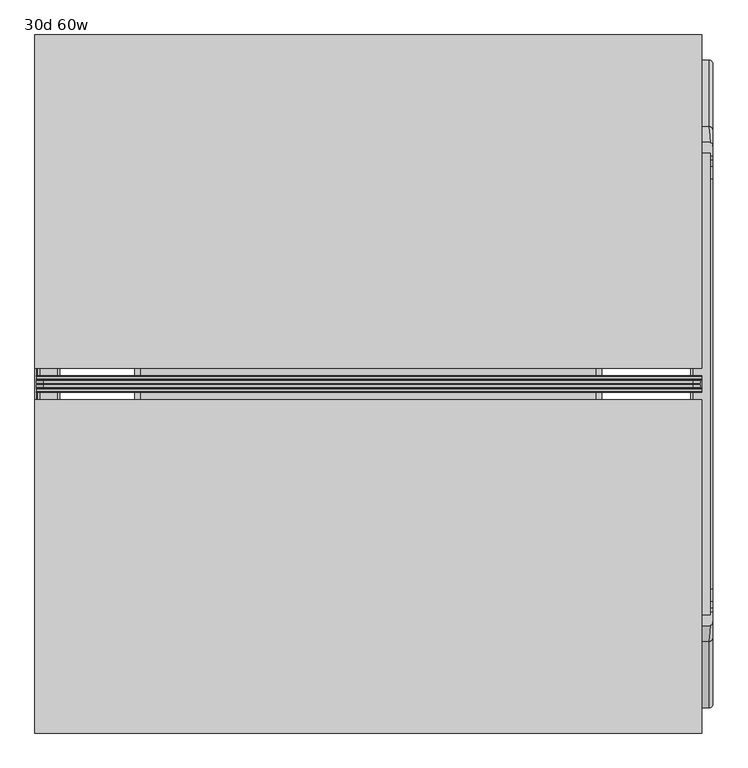
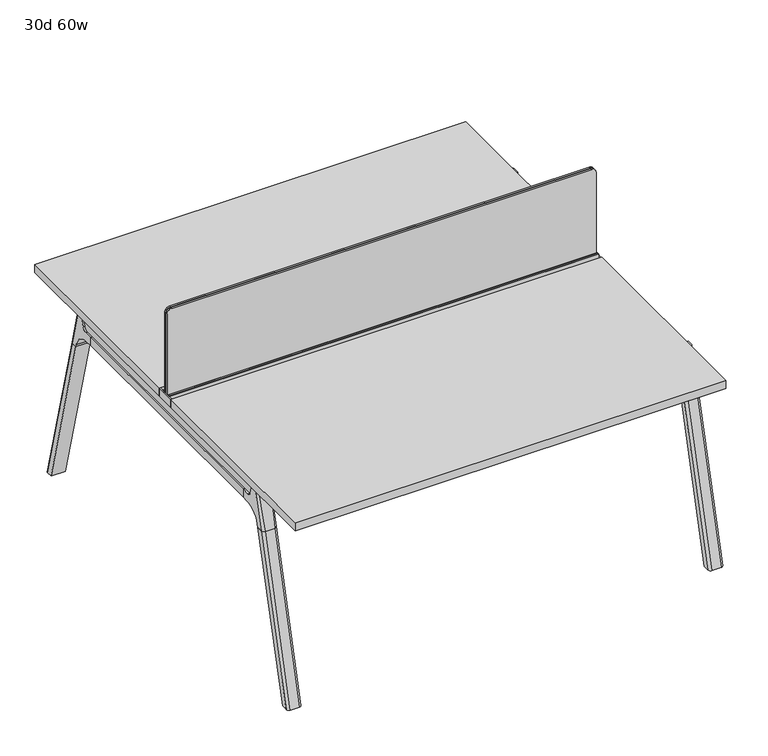
"""IFC4 building model written with IfcOpenShell, lengths in millimetres: furniture geometry, 30d 60w."""

from ifc_helpers import new_model, si_unit, point, frame, frame_2d, origin, place, context, project, spatial, polyline, circle_curve, ellipse_curve, trimmed, segment, composite_curve, outline, extrude, source, transform, mapped, element, save
from ifc_brep_helpers import plane_surface, cylinder_surface, revolved_surface, advanced_brep


def furniture_30d_60w_60e0210d(model_context):
    return source(origin(), model_context, "Body", "SolidModel", [
        extrude(outline(composite_curve([segment(polyline([(1054.89375, 955.675), (1054.89375, -523.875)]), True, "CONTINUOUS"), segment(trimmed(circle_curve(frame_2d((1039.01875, -523.875)), 15.875), [point((1054.89375, -523.875))], [point((1039.01875, -539.75))], False, "CARTESIAN"), True, "CONTINUOUS"), segment(polyline([(1039.01875, -539.75), (720.725, -539.75), (720.725, 971.55), (1039.01875, 971.55)]), True, "CONTINUOUS"), segment(trimmed(circle_curve(frame_2d((1039.01875, 955.675)), 15.875), [point((1039.01875, 971.55))], [point((1054.89375, 955.675))], False, "CARTESIAN"), True, "CONTINUOUS")], self_intersect=False)), frame((0.0, -201.3409766, 0.0), z_axis=(0.0, 1.0, 0.0), x_axis=(0.0, 0.0, 1.0)), (0.0, 0.0, 1.0), 3.175),
        extrude(outline(composite_curve([segment(polyline([(1058.06875, 958.85), (1058.06875, -527.05)]), True, "CONTINUOUS"), segment(trimmed(circle_curve(frame_2d((1042.19375, -527.05)), 15.875), [point((1058.06875, -527.05))], [point((1042.19375, -542.925))], False, "CARTESIAN"), True, "CONTINUOUS"), segment(polyline([(1042.19375, -542.925), (717.55, -542.925), (717.55, 974.725), (1042.19375, 974.725)]), True, "CONTINUOUS"), segment(trimmed(circle_curve(frame_2d((1042.19375, 958.85)), 15.875), [point((1042.19375, 974.725))], [point((1058.06875, 958.85))], False, "CARTESIAN"), True, "CONTINUOUS")], self_intersect=False)), frame((0.0, -198.1659766, 0.0), z_axis=(0.0, 1.0, 0.0), x_axis=(0.0, 0.0, 1.0)), (0.0, 0.0, 1.0), 5.55625),
        extrude(outline(composite_curve([segment(polyline([(1058.06875, 958.85), (1058.06875, -527.05)]), True, "CONTINUOUS"), segment(trimmed(circle_curve(frame_2d((1042.19375, -527.05)), 15.875), [point((1058.06875, -527.05))], [point((1042.19375, -542.925))], False, "CARTESIAN"), True, "CONTINUOUS"), segment(polyline([(1042.19375, -542.925), (717.55, -542.925), (717.55, 974.725), (1042.19375, 974.725)]), True, "CONTINUOUS"), segment(trimmed(circle_curve(frame_2d((1042.19375, 958.85)), 15.875), [point((1042.19375, 974.725))], [point((1058.06875, 958.85))], False, "CARTESIAN"), True, "CONTINUOUS")], self_intersect=False)), frame((0.0, -206.8972266, 0.0), z_axis=(0.0, 1.0, 0.0), x_axis=(0.0, 0.0, 1.0)), (0.0, 0.0, 1.0), 5.55625),
        extrude(outline(polyline([(-348.9784469, 559.4636683), (-364.040663, 627.7843353), (-35.4662901, 627.7843353), (-50.5285062, 559.4636683), (-46.7502281, 557.2647146), (-46.7502281, 549.3667827), (-62.6252238, 521.8704736), (-336.8817293, 521.8704736), (-352.756725, 549.3667827), (-352.756725, 557.2647146), (-348.9784469, 559.4636683)])), frame((736.6, 0.0, 0.0), z_axis=(1.0, 0.0, 0.0), x_axis=(0.0, 1.0, 0.0)), (0.0, 0.0, 1.0), 12.7),
        extrude(outline(polyline([(-348.9784469, 559.4636683), (-364.040663, 627.7843353), (-35.4662901, 627.7843353), (-50.5285062, 559.4636683), (-46.7502281, 557.2647146), (-46.7502281, 549.3667827), (-62.6252238, 521.8704736), (-336.8817293, 521.8704736), (-352.756725, 549.3667827), (-352.756725, 557.2647146), (-348.9784469, 559.4636683)])), frame((-317.5, 0.0, 0.0), z_axis=(1.0, 0.0, 0.0), x_axis=(0.0, 1.0, 0.0)), (0.0, 0.0, 1.0), 12.7),
        extrude(outline(polyline([(-18.0090763, 698.5), (3.7767266, 698.5), (3.7767266, 697.2935087), (-17.4495292, 697.2935087), (-19.0070753, 695.7359626), (-49.1186716, 559.1528512), (-50.5285062, 559.4636683), (-20.404074, 696.1050023), (-18.0090763, 698.5)])), frame((-317.5, 0.0, 0.0), z_axis=(1.0, 0.0, 0.0), x_axis=(0.0, 1.0, 0.0)), (0.0, 0.0, 1.0), 31.8008024),
        extrude(outline(polyline([(-381.4978768, 698.5), (-379.1028791, 696.1050023), (-348.9784469, 559.4636683), (-350.3882815, 559.1528512), (-380.4998778, 695.7359626), (-382.0574239, 697.2935087), (-403.2836797, 697.2935087), (-403.2836797, 698.5), (-381.4978768, 698.5)])), frame((-317.5, 0.0, 0.0), z_axis=(1.0, 0.0, 0.0), x_axis=(0.0, 1.0, 0.0)), (0.0, 0.0, 1.0), 31.8008024),
        extrude(outline(polyline([(-18.0090763, 698.5), (3.7767266, 698.5), (3.7767266, 697.2935087), (-17.4495292, 697.2935087), (-19.0070753, 695.7359626), (-49.1186716, 559.1528512), (-50.5285062, 559.4636683), (-20.404074, 696.1050023), (-18.0090763, 698.5)])), frame((717.4991976, 0.0, 0.0), z_axis=(1.0, 0.0, 0.0), x_axis=(0.0, 1.0, 0.0)), (0.0, 0.0, 1.0), 31.8008024),
        extrude(outline(polyline([(-381.4978768, 698.5), (-379.1028791, 696.1050023), (-348.9784469, 559.4636683), (-350.3882815, 559.1528512), (-380.4998778, 695.7359626), (-382.0574239, 697.2935087), (-403.2836797, 697.2935087), (-403.2836797, 698.5), (-381.4978768, 698.5)])), frame((717.4991976, 0.0, 0.0), z_axis=(1.0, 0.0, 0.0), x_axis=(0.0, 1.0, 0.0)), (0.0, 0.0, 1.0), 31.8008024),
        extrude(outline(polyline([(-353.550475, 557.5934966), (-351.518477, 559.6254947), (-350.957211, 559.0642287), (-352.756725, 557.2647146), (-352.756725, 549.3667827), (-352.5317745, 548.5272622), (-337.4390802, 522.3859395), (-336.0037101, 521.5572272), (-63.503243, 521.5572272), (-62.0678729, 522.3859395), (-46.9751786, 548.5272622), (-46.7502281, 549.3667827), (-46.7502281, 557.2647146), (-48.5497421, 559.0642287), (-47.9884761, 559.6254947), (-45.9564781, 557.5934966), (-45.9564781, 549.2622828), (-46.2355217, 548.2208856), (-61.4868074, 521.8048744), (-63.2905581, 520.7634772), (-336.216395, 520.7634772), (-338.0201457, 521.8048744), (-353.2714314, 548.2208856), (-353.550475, 549.2622828), (-353.550475, 557.5934966)])), frame((-317.4492037, 0.0, 0.0), z_axis=(1.0, 0.0, 0.0), x_axis=(0.0, 1.0, 0.0)), (0.0, 0.0, 1.0), 1066.7492037),
        extrude(outline(polyline([(-218.8034766, 715.9625), (-218.8034766, 741.3625), (-217.2159766, 741.3625), (-217.2159766, 720.725), (-210.8659766, 720.725), (-210.8659766, 741.3625), (-209.2784766, 741.3625), (-209.2784766, 717.55), (-190.2284766, 717.55), (-190.2284766, 741.3625), (-188.6409766, 741.3625), (-188.6409766, 720.725), (-182.2909766, 720.725), (-182.2909766, 741.3625), (-180.7034766, 741.3625), (-180.7034766, 715.9625), (-218.8034766, 715.9625)])), frame((-542.925, 0.0, 0.0), z_axis=(1.0, 0.0, 0.0), x_axis=(0.0, 1.0, 0.0)), (0.0, 0.0, 1.0), 1520.825),
        extrude(outline(composite_curve([segment(polyline([(328.0902734, 711.2), (319.0321726, 677.3947076)]), True, "CONTINUOUS"), segment(trimmed(circle_curve(frame_2d((303.6981001, 681.5034599)), 15.875), [point((319.0321726, 677.3947076))], [point((303.6981001, 665.6284599))], False, "CARTESIAN"), True, "CONTINUOUS"), segment(polyline([(303.6981001, 665.6284599), (-703.2050533, 665.6284599)]), True, "CONTINUOUS"), segment(trimmed(circle_curve(frame_2d((-703.2050533, 681.5034599)), 15.875), [point((-703.2050533, 665.6284599))], [point((-718.5391258, 677.3947076))], False, "CARTESIAN"), True, "CONTINUOUS"), segment(polyline([(-718.5391258, 677.3947076), (-727.5972266, 711.2), (328.0902734, 711.2)]), True, "CONTINUOUS")], self_intersect=False)), frame((958.85, 0.0, 0.0), z_axis=(1.0, 0.0, 0.0), x_axis=(0.0, 1.0, 0.0)), (0.0, 0.0, 1.0), 38.1),
        extrude(outline(polyline([(1003.3, 267.7652734), (1003.3, -667.2722266), (952.5, -667.2722266), (952.5, 267.7652734), (1003.3, 267.7652734)])), frame((0.0, 0.0, 635.6476591), z_axis=(0.0, 0.0, 1.0), x_axis=(1.0, 0.0, 0.0)), (0.0, 0.0, 1.0), 29.9808008),
        extrude(outline(composite_curve([segment(polyline([(328.0902734, 711.2), (319.0321726, 677.3947076)]), True, "CONTINUOUS"), segment(trimmed(circle_curve(frame_2d((303.6981001, 681.5034599)), 15.875), [point((319.0321726, 677.3947076))], [point((303.6981001, 665.6284599))], False, "CARTESIAN"), True, "CONTINUOUS"), segment(polyline([(303.6981001, 665.6284599), (-703.2050533, 665.6284599)]), True, "CONTINUOUS"), segment(trimmed(circle_curve(frame_2d((-703.2050533, 681.5034599)), 15.875), [point((-703.2050533, 665.6284599))], [point((-718.5391258, 677.3947076))], False, "CARTESIAN"), True, "CONTINUOUS"), segment(polyline([(-718.5391258, 677.3947076), (-727.5972266, 711.2), (328.0902734, 711.2)]), True, "CONTINUOUS")], self_intersect=False)), frame((-533.4, 0.0, 0.0), z_axis=(1.0, 0.0, 0.0), x_axis=(0.0, 1.0, 0.0)), (0.0, 0.0, 1.0), 38.1),
        extrude(outline(polyline([(-488.95, 267.7652734), (-488.95, -667.2722266), (-539.75, -667.2722266), (-539.75, 267.7652734), (-488.95, 267.7652734)])), frame((0.0, 0.0, 635.6476591), z_axis=(0.0, 0.0, 1.0), x_axis=(1.0, 0.0, 0.0)), (0.0, 0.0, 1.0), 29.9808008),
        advanced_brep(
        [(952.5, -721.2935553, 711.2), (952.5, -712.2354545, 677.3947076), (952.5, -696.901382, 665.6284599), (952.5, -667.2722266, 665.6284599), (952.5, -667.2722266, 635.6476591), (952.5, -690.1434588, 635.6476591), (952.5, -754.5465633, 586.2294189), (952.5, -757.1047754, 576.6820411), (952.5, -778.2087453, 576.6820411), (952.5, -742.7601017, 711.2), (1003.3, -757.1047754, 576.6820411), (1003.3, -754.5465633, 586.2294189), (1003.3, -690.1434588, 635.6476591), (1003.3, -667.2722266, 635.6476591), (1003.3, -667.2722266, 665.6284599), (1003.3, -696.901382, 665.6284599), (1003.3, -712.2354545, 677.3947076), (1003.3, -721.2935553, 711.2), (1003.3, -742.7601017, 711.2), (1003.3, -778.2087453, 576.6820411), (958.7638162, -752.0149462, 711.2), (997.0361838, -752.0149462, 711.2), (993.775, -788.0589247, 576.6820411), (962.025, -788.0589247, 576.6820411)],
        [
            (0, 1),
            (1, 2, circle_curve(frame((952.5, -696.901382, 681.5034599), z_axis=(1.0, 0.0, 0.0), x_axis=(0.0, -1.0, 0.0)), 15.875)),
            (2, 3),
            (3, 4),
            (4, 5),
            (5, 6, circle_curve(frame((952.5, -690.1434588, 568.9726591), z_axis=(1.0, 0.0, 0.0), x_axis=(0.0, -1.0, 0.0)), 66.675)),
            (6, 7),
            (7, 8),
            (8, 9),
            (9, 0),
            (10, 11),
            (11, 12, circle_curve(frame((1003.3, -690.1434588, 568.9726591), z_axis=(-1.0, 0.0, 0.0), x_axis=(0.0, -1.0, 0.0)), 66.675)),
            (12, 13),
            (13, 14),
            (14, 15),
            (15, 16, circle_curve(frame((1003.3, -696.901382, 681.5034599), z_axis=(-1.0, 0.0, 0.0), x_axis=(0.0, -1.0, 0.0)), 15.875)),
            (16, 17),
            (17, 18),
            (18, 19),
            (19, 10),
            (17, 0),
            (9, 20, ellipse_curve(frame((962.025, -742.7601017, 711.2), z_axis=(0.0, 0.0, 1.0), x_axis=(0.0, -1.0, 0.0)), 9.8501793, 9.525)),
            (20, 21),
            (21, 18, ellipse_curve(frame((993.775, -742.7601017, 711.2), z_axis=(0.0, 0.0, 1.0), x_axis=(0.0, -1.0, 0.0)), 9.8501793, 9.525)),
            (16, 1),
            (15, 2),
            (14, 3),
            (13, 4),
            (12, 5),
            (11, 6),
            (10, 7),
            (19, 22, ellipse_curve(frame((993.775, -778.2087453, 576.6820411), z_axis=(0.0, 0.0, -1.0), x_axis=(0.0, -1.0, 0.0)), 9.8501793, 9.525)),
            (22, 23),
            (23, 8, ellipse_curve(frame((962.025, -778.2087453, 576.6820411), z_axis=(0.0, 0.0, -1.0), x_axis=(0.0, -1.0, 0.0)), 9.8501793, 9.525)),
            (20, 23, ellipse_curve(frame((962.025, -191.6892106, 2802.3641142), z_axis=(0.0, -0.9659258262890684, 0.2588190451025206), x_axis=(0.0, -0.2588190451025206, -0.9659258262890684)), 2304.1956354, 9.525)),
            (22, 21, ellipse_curve(frame((993.775, -191.6892106, 2802.3641142), z_axis=(0.0, -0.9659258262890684, 0.2588190451025206), x_axis=(0.0, -0.2588190451025206, -0.9659258262890684)), 2304.1956354, 9.525)),
        ],
        [
            plane_surface(frame((952.5, -752.0149462, 711.2), z_axis=(-1.0, 0.0, 0.0), x_axis=(0.0, 1.0, 0.0))),
            plane_surface(frame((1003.3, -752.0149462, 711.2), z_axis=(1.0, 0.0, 0.0), x_axis=(0.0, -1.0, 0.0))),
            plane_surface(frame((952.5, -752.0149462, 711.2), z_axis=(0.0, 0.0, 1.0), x_axis=(1.0, 0.0, 0.0))),
            plane_surface(frame((952.5, -721.2935553, 711.2), z_axis=(0.0, 0.9659258262890683, 0.2588190451025207), x_axis=(1.0, 0.0, 0.0))),
            revolved_surface(polyline([(1003.3, -712.776382, 681.5034599), (952.5, -712.776382, 681.5034599)]), (1003.3, -696.901382, 681.5034599), (1.0, 0.0, 0.0)),
            plane_surface(frame((952.5, -696.901382, 665.6284599), z_axis=(0.0, 0.0, 1.0), x_axis=(1.0, 0.0, 0.0))),
            plane_surface(frame((952.5, -667.2722266, 665.6284599), z_axis=(0.0, 1.0, 0.0), x_axis=(1.0, 0.0, 0.0))),
            plane_surface(frame((952.5, -667.2722266, 635.6476591), z_axis=(0.0, 0.0, -1.0), x_axis=(1.0, 0.0, 0.0))),
            revolved_surface(polyline([(1003.3, -756.8184587999999, 568.9726591), (952.5, -756.8184587999999, 568.9726591)]), (1003.3, -690.1434588, 568.9726591), (1.0, 0.0, 0.0)),
            plane_surface(frame((952.5, -754.5465633, 586.2294189), z_axis=(0.0, 0.9659258262890693, -0.25881904510251696), x_axis=(1.0, 0.0, 0.0))),
            plane_surface(frame((952.5, -757.1047754, 576.6820411), z_axis=(0.0, 0.0, -1.0), x_axis=(1.0, 0.0, 0.0))),
            plane_surface(frame((952.5, -788.0589247, 576.6820411), z_axis=(0.0, -0.9659258262890684, 0.2588190451025206), x_axis=(1.0, 0.0, 0.0))),
            cylinder_surface(frame((962.025, -930.8176402, -2.4271979), z_axis=(0.0, -0.25482392474081483, -0.966987470125486), x_axis=(1.0, 0.0, 0.0)), 9.525),
            cylinder_surface(frame((993.775, -930.8176402, -2.4271979), z_axis=(0.0, -0.25482392474081483, -0.966987470125486), x_axis=(1.0, 0.0, 0.0)), 9.525),
        ],
        [
            (0, [[1, 2, 3, 4, 5, 6, 7, 8, 9, 10]]),
            (1, [[11, 12, 13, 14, 15, 16, 17, 18, 19, 20]]),
            (2, [[21, -10, 22, 23, 24, -18]]),
            (3, [[-1, -21, -17, 25]]),
            (4, [[-2, -25, -16, 26]]),
            (5, [[-3, -26, -15, 27]]),
            (6, [[-4, -27, -14, 28]]),
            (7, [[-5, -28, -13, 29]]),
            (8, [[-6, -29, -12, 30]]),
            (9, [[-7, -30, -11, 31]]),
            (10, [[-31, -20, 32, 33, 34, -8]]),
            (11, [[-23, 35, -33, 36]]),
            (12, [[-9, -34, -35, -22]]),
            (13, [[-19, -24, -36, -32]]),
        ],
    ),
        advanced_brep(
        [(952.5, -757.1047754, 576.6820411), (952.5, -909.0740466, 0.0), (952.5, -930.1780165, 0.0), (952.5, -778.2087453, 576.6820411), (1003.3, -909.0740466, 0.0), (1003.3, -757.1047754, 576.6820411), (1003.3, -778.2087453, 576.6820411), (1003.3, -930.1780165, 0.0), (962.025, -788.0589247, 576.6820411), (993.775, -788.0589247, 576.6820411), (993.775, -940.0281958, 0.0), (962.025, -940.0281958, 0.0)],
        [
            (0, 1),
            (1, 2),
            (2, 3),
            (3, 0),
            (4, 5),
            (5, 6),
            (6, 7),
            (7, 4),
            (5, 0),
            (3, 8, ellipse_curve(frame((962.025, -778.2087453, 576.6820411), z_axis=(0.0, 0.0, 1.0), x_axis=(0.0, -1.0, 0.0)), 9.8501793, 9.525)),
            (8, 9),
            (9, 6, ellipse_curve(frame((993.775, -778.2087453, 576.6820411), z_axis=(0.0, 0.0, 1.0), x_axis=(0.0, -1.0, 0.0)), 9.8501793, 9.525)),
            (4, 1),
            (7, 10, ellipse_curve(frame((993.775, -930.1780165, 0.0), z_axis=(0.0, 0.0, -1.0), x_axis=(0.0, -1.0, 0.0)), 9.8501793, 9.525)),
            (10, 11),
            (11, 2, ellipse_curve(frame((962.025, -930.1780165, 0.0), z_axis=(0.0, 0.0, -1.0), x_axis=(0.0, -1.0, 0.0)), 9.8501793, 9.525)),
            (8, 11),
            (10, 9),
        ],
        [
            plane_surface(frame((952.5, -788.0589247, 576.6820411), z_axis=(-1.0, 0.0, 0.0), x_axis=(0.0, 1.0, 0.0))),
            plane_surface(frame((1003.3, -788.0589247, 576.6820411), z_axis=(1.0, 0.0, 0.0), x_axis=(0.0, -1.0, 0.0))),
            plane_surface(frame((952.5, -788.0589247, 576.6820411), z_axis=(0.0, 0.0, 1.0), x_axis=(1.0, 0.0, 0.0))),
            plane_surface(frame((952.5, -757.1047754, 576.6820411), z_axis=(0.0, 0.9669874701254844, -0.2548239247408208), x_axis=(1.0, 0.0, 0.0))),
            plane_surface(frame((952.5, -909.0740466, 0.0), z_axis=(0.0, 0.0, -1.0), x_axis=(1.0, 0.0, 0.0))),
            plane_surface(frame((952.5, -940.0281958, 0.0), z_axis=(0.0, -0.9669874701254855, 0.2548239247408166), x_axis=(1.0, 0.0, 0.0))),
            cylinder_surface(frame((962.025, -930.8176402, -2.4271979), z_axis=(0.0, -0.25482392474081483, -0.966987470125486), x_axis=(1.0, 0.0, 0.0)), 9.525),
            cylinder_surface(frame((993.775, -930.8176402, -2.4271979), z_axis=(0.0, -0.25482392474081483, -0.966987470125486), x_axis=(1.0, 0.0, 0.0)), 9.525),
        ],
        [
            (0, [[1, 2, 3, 4]]),
            (1, [[5, 6, 7, 8]]),
            (2, [[9, -4, 10, 11, 12, -6]]),
            (3, [[-1, -9, -5, 13]]),
            (4, [[-13, -8, 14, 15, 16, -2]]),
            (5, [[-11, 17, -15, 18]]),
            (6, [[-3, -16, -17, -10]]),
            (7, [[-7, -12, -18, -14]]),
        ],
    ),
        advanced_brep(
        [(1003.3, 321.7866022, 711.2), (1003.3, 312.7285014, 677.3947076), (1003.3, 297.3944289, 665.6284599), (1003.3, 267.7652734, 665.6284599), (1003.3, 267.7652734, 635.6476591), (1003.3, 290.6365057, 635.6476591), (1003.3, 355.0396101, 586.2294189), (1003.3, 357.5978223, 576.6820411), (1003.3, 378.7017922, 576.6820411), (1003.3, 343.2531486, 711.2), (952.5, 357.5978223, 576.6820411), (952.5, 355.0396101, 586.2294189), (952.5, 290.6365057, 635.6476591), (952.5, 267.7652734, 635.6476591), (952.5, 267.7652734, 665.6284599), (952.5, 297.3944289, 665.6284599), (952.5, 312.7285014, 677.3947076), (952.5, 321.7866022, 711.2), (952.5, 343.2531486, 711.2), (952.5, 378.7017922, 576.6820411), (997.0361838, 352.5079931, 711.2), (958.7638162, 352.5079931, 711.2), (962.025, 388.5519716, 576.6820411), (993.775, 388.5519716, 576.6820411)],
        [
            (0, 1),
            (1, 2, circle_curve(frame((1003.3, 297.3944289, 681.5034599), z_axis=(-1.0, 0.0, 0.0), x_axis=(0.0, 1.0, 0.0)), 15.875)),
            (2, 3),
            (3, 4),
            (4, 5),
            (5, 6, circle_curve(frame((1003.3, 290.6365057, 568.9726591), z_axis=(-1.0, 0.0, 0.0), x_axis=(0.0, 1.0, 0.0)), 66.675)),
            (6, 7),
            (7, 8),
            (8, 9),
            (9, 0),
            (10, 11),
            (11, 12, circle_curve(frame((952.5, 290.6365057, 568.9726591), z_axis=(1.0, 0.0, 0.0), x_axis=(0.0, 1.0, 0.0)), 66.675)),
            (12, 13),
            (13, 14),
            (14, 15),
            (15, 16, circle_curve(frame((952.5, 297.3944289, 681.5034599), z_axis=(1.0, 0.0, 0.0), x_axis=(0.0, 1.0, 0.0)), 15.875)),
            (16, 17),
            (17, 18),
            (18, 19),
            (19, 10),
            (17, 0),
            (9, 20, ellipse_curve(frame((993.775, 343.2531486, 711.2), z_axis=(0.0, 0.0, 1.0), x_axis=(0.0, 1.0, 0.0)), 9.8501793, 9.525)),
            (20, 21),
            (21, 18, ellipse_curve(frame((962.025, 343.2531486, 711.2), z_axis=(0.0, 0.0, 1.0), x_axis=(0.0, 1.0, 0.0)), 9.8501793, 9.525)),
            (16, 1),
            (15, 2),
            (14, 3),
            (13, 4),
            (12, 5),
            (11, 6),
            (10, 7),
            (19, 22, ellipse_curve(frame((962.025, 378.7017922, 576.6820411), z_axis=(0.0, 0.0, -1.0), x_axis=(0.0, 1.0, 0.0)), 9.8501793, 9.525)),
            (22, 23),
            (23, 8, ellipse_curve(frame((993.775, 378.7017922, 576.6820411), z_axis=(0.0, 0.0, -1.0), x_axis=(0.0, 1.0, 0.0)), 9.8501793, 9.525)),
            (20, 23, ellipse_curve(frame((993.775, -207.8177425, 2802.3641142), z_axis=(0.0, 0.9659258262890684, 0.2588190451025206), x_axis=(0.0, 0.2588190451025206, -0.9659258262890684)), 2304.1956354, 9.525)),
            (22, 21, ellipse_curve(frame((962.025, -207.8177425, 2802.3641142), z_axis=(0.0, 0.9659258262890684, 0.2588190451025206), x_axis=(0.0, 0.2588190451025206, -0.9659258262890684)), 2304.1956354, 9.525)),
        ],
        [
            plane_surface(frame((1003.3, 352.5079931, 711.2), z_axis=(1.0, 0.0, 0.0), x_axis=(0.0, -1.0, 0.0))),
            plane_surface(frame((952.5, 352.5079931, 711.2), z_axis=(-1.0, 0.0, 0.0), x_axis=(0.0, 1.0, 0.0))),
            plane_surface(frame((1003.3, 352.5079931, 711.2), z_axis=(0.0, 0.0, 1.0), x_axis=(-1.0, 0.0, 0.0))),
            plane_surface(frame((1003.3, 321.7866022, 711.2), z_axis=(0.0, -0.9659258262890683, 0.2588190451025207), x_axis=(-1.0, 0.0, 0.0))),
            revolved_surface(polyline([(952.5, 313.2694289, 681.5034599), (1003.3, 313.2694289, 681.5034599)]), (952.5, 297.3944289, 681.5034599), (-1.0, 0.0, 0.0)),
            plane_surface(frame((1003.3, 297.3944289, 665.6284599), z_axis=(0.0, 0.0, 1.0), x_axis=(-1.0, 0.0, 0.0))),
            plane_surface(frame((1003.3, 267.7652734, 665.6284599), z_axis=(0.0, -1.0, 0.0), x_axis=(-1.0, 0.0, 0.0))),
            plane_surface(frame((1003.3, 267.7652734, 635.6476591), z_axis=(0.0, 0.0, -1.0), x_axis=(-1.0, 0.0, 0.0))),
            revolved_surface(polyline([(952.5, 357.3115057, 568.9726591), (1003.3, 357.3115057, 568.9726591)]), (952.5, 290.6365057, 568.9726591), (-1.0, 0.0, 0.0)),
            plane_surface(frame((1003.3, 355.0396101, 586.2294189), z_axis=(0.0, -0.9659258262890693, -0.25881904510251696), x_axis=(-1.0, 0.0, 0.0))),
            plane_surface(frame((1003.3, 357.5978223, 576.6820411), z_axis=(0.0, 0.0, -1.0), x_axis=(-1.0, 0.0, 0.0))),
            plane_surface(frame((1003.3, 388.5519716, 576.6820411), z_axis=(0.0, 0.9659258262890684, 0.2588190451025206), x_axis=(-1.0, 0.0, 0.0))),
            cylinder_surface(frame((993.775, 531.3106871, -2.4271979), z_axis=(0.0, 0.25482392474081483, -0.966987470125486), x_axis=(-1.0, 0.0, 0.0)), 9.525),
            cylinder_surface(frame((962.025, 531.3106871, -2.4271979), z_axis=(0.0, 0.25482392474081483, -0.966987470125486), x_axis=(-1.0, 0.0, 0.0)), 9.525),
        ],
        [
            (0, [[1, 2, 3, 4, 5, 6, 7, 8, 9, 10]]),
            (1, [[11, 12, 13, 14, 15, 16, 17, 18, 19, 20]]),
            (2, [[21, -10, 22, 23, 24, -18]]),
            (3, [[-1, -21, -17, 25]]),
            (4, [[-2, -25, -16, 26]]),
            (5, [[-3, -26, -15, 27]]),
            (6, [[-4, -27, -14, 28]]),
            (7, [[-5, -28, -13, 29]]),
            (8, [[-6, -29, -12, 30]]),
            (9, [[-7, -30, -11, 31]]),
            (10, [[-31, -20, 32, 33, 34, -8]]),
            (11, [[-23, 35, -33, 36]]),
            (12, [[-9, -34, -35, -22]]),
            (13, [[-19, -24, -36, -32]]),
        ],
    ),
        advanced_brep(
        [(1003.3, 357.5978223, 576.6820411), (1003.3, 509.5670935, 0.0), (1003.3, 530.6710634, 0.0), (1003.3, 378.7017922, 576.6820411), (952.5, 509.5670935, 0.0), (952.5, 357.5978223, 576.6820411), (952.5, 378.7017922, 576.6820411), (952.5, 530.6710634, 0.0), (993.775, 388.5519716, 576.6820411), (962.025, 388.5519716, 576.6820411), (962.025, 540.5212427, 0.0), (993.775, 540.5212427, 0.0)],
        [
            (0, 1),
            (1, 2),
            (2, 3),
            (3, 0),
            (4, 5),
            (5, 6),
            (6, 7),
            (7, 4),
            (5, 0),
            (3, 8, ellipse_curve(frame((993.775, 378.7017922, 576.6820411), z_axis=(0.0, 0.0, 1.0), x_axis=(0.0, 1.0, 0.0)), 9.8501793, 9.525)),
            (8, 9),
            (9, 6, ellipse_curve(frame((962.025, 378.7017922, 576.6820411), z_axis=(0.0, 0.0, 1.0), x_axis=(0.0, 1.0, 0.0)), 9.8501793, 9.525)),
            (4, 1),
            (7, 10, ellipse_curve(frame((962.025, 530.6710634, 0.0), z_axis=(0.0, 0.0, -1.0), x_axis=(0.0, 1.0, 0.0)), 9.8501793, 9.525)),
            (10, 11),
            (11, 2, ellipse_curve(frame((993.775, 530.6710634, 0.0), z_axis=(0.0, 0.0, -1.0), x_axis=(0.0, 1.0, 0.0)), 9.8501793, 9.525)),
            (8, 11),
            (10, 9),
        ],
        [
            plane_surface(frame((1003.3, 388.5519716, 576.6820411), z_axis=(1.0, 0.0, 0.0), x_axis=(0.0, -1.0, 0.0))),
            plane_surface(frame((952.5, 388.5519716, 576.6820411), z_axis=(-1.0, 0.0, 0.0), x_axis=(0.0, 1.0, 0.0))),
            plane_surface(frame((1003.3, 388.5519716, 576.6820411), z_axis=(0.0, 0.0, 1.0), x_axis=(-1.0, 0.0, 0.0))),
            plane_surface(frame((1003.3, 357.5978223, 576.6820411), z_axis=(0.0, -0.9669874701254844, -0.2548239247408208), x_axis=(-1.0, 0.0, 0.0))),
            plane_surface(frame((1003.3, 509.5670935, 0.0), z_axis=(0.0, 0.0, -1.0), x_axis=(-1.0, 0.0, 0.0))),
            plane_surface(frame((1003.3, 540.5212427, 0.0), z_axis=(0.0, 0.9669874701254855, 0.2548239247408166), x_axis=(-1.0, 0.0, 0.0))),
            cylinder_surface(frame((993.775, 531.3106871, -2.4271979), z_axis=(0.0, 0.25482392474081483, -0.966987470125486), x_axis=(-1.0, 0.0, 0.0)), 9.525),
            cylinder_surface(frame((962.025, 531.3106871, -2.4271979), z_axis=(0.0, 0.25482392474081483, -0.966987470125486), x_axis=(-1.0, 0.0, 0.0)), 9.525),
        ],
        [
            (0, [[1, 2, 3, 4]]),
            (1, [[5, 6, 7, 8]]),
            (2, [[9, -4, 10, 11, 12, -6]]),
            (3, [[-1, -9, -5, 13]]),
            (4, [[-13, -8, 14, 15, 16, -2]]),
            (5, [[-11, 17, -15, 18]]),
            (6, [[-3, -16, -17, -10]]),
            (7, [[-7, -12, -18, -14]]),
        ],
    ),
        advanced_brep(
        [(-488.95, 321.7866022, 711.2), (-488.95, 312.7285014, 677.3947076), (-488.95, 297.3944289, 665.6284599), (-488.95, 267.7652734, 665.6284599), (-488.95, 267.7652734, 635.6476591), (-488.95, 290.6365057, 635.6476591), (-488.95, 355.0396101, 586.2294189), (-488.95, 357.5978223, 576.6820411), (-488.95, 378.7017922, 576.6820411), (-488.95, 343.2531486, 711.2), (-539.75, 357.5978223, 576.6820411), (-539.75, 355.0396101, 586.2294189), (-539.75, 290.6365057, 635.6476591), (-539.75, 267.7652734, 635.6476591), (-539.75, 267.7652734, 665.6284599), (-539.75, 297.3944289, 665.6284599), (-539.75, 312.7285014, 677.3947076), (-539.75, 321.7866022, 711.2), (-539.75, 343.2531486, 711.2), (-539.75, 378.7017922, 576.6820411), (-495.2138162, 352.5079931, 711.2), (-533.4861838, 352.5079931, 711.2), (-530.225, 388.5519716, 576.6820411), (-498.475, 388.5519716, 576.6820411)],
        [
            (0, 1),
            (1, 2, circle_curve(frame((-488.95, 297.3944289, 681.5034599), z_axis=(-1.0, 0.0, 0.0), x_axis=(0.0, 1.0, 0.0)), 15.875)),
            (2, 3),
            (3, 4),
            (4, 5),
            (5, 6, circle_curve(frame((-488.95, 290.6365057, 568.9726591), z_axis=(-1.0, 0.0, 0.0), x_axis=(0.0, 1.0, 0.0)), 66.675)),
            (6, 7),
            (7, 8),
            (8, 9),
            (9, 0),
            (10, 11),
            (11, 12, circle_curve(frame((-539.75, 290.6365057, 568.9726591), z_axis=(1.0, 0.0, 0.0), x_axis=(0.0, 1.0, 0.0)), 66.675)),
            (12, 13),
            (13, 14),
            (14, 15),
            (15, 16, circle_curve(frame((-539.75, 297.3944289, 681.5034599), z_axis=(1.0, 0.0, 0.0), x_axis=(0.0, 1.0, 0.0)), 15.875)),
            (16, 17),
            (17, 18),
            (18, 19),
            (19, 10),
            (17, 0),
            (9, 20, ellipse_curve(frame((-498.475, 343.2531486, 711.2), z_axis=(0.0, 0.0, 1.0), x_axis=(0.0, 1.0, 0.0)), 9.8501793, 9.525)),
            (20, 21),
            (21, 18, ellipse_curve(frame((-530.225, 343.2531486, 711.2), z_axis=(0.0, 0.0, 1.0), x_axis=(0.0, 1.0, 0.0)), 9.8501793, 9.525)),
            (16, 1),
            (15, 2),
            (14, 3),
            (13, 4),
            (12, 5),
            (11, 6),
            (10, 7),
            (19, 22, ellipse_curve(frame((-530.225, 378.7017922, 576.6820411), z_axis=(0.0, 0.0, -1.0), x_axis=(0.0, 1.0, 0.0)), 9.8501793, 9.525)),
            (22, 23),
            (23, 8, ellipse_curve(frame((-498.475, 378.7017922, 576.6820411), z_axis=(0.0, 0.0, -1.0), x_axis=(0.0, 1.0, 0.0)), 9.8501793, 9.525)),
            (20, 23, ellipse_curve(frame((-498.475, -207.8177425, 2802.3641142), z_axis=(0.0, 0.9659258262890684, 0.2588190451025206), x_axis=(0.0, 0.2588190451025206, -0.9659258262890684)), 2304.1956354, 9.525)),
            (22, 21, ellipse_curve(frame((-530.225, -207.8177425, 2802.3641142), z_axis=(0.0, 0.9659258262890684, 0.2588190451025206), x_axis=(0.0, 0.2588190451025206, -0.9659258262890684)), 2304.1956354, 9.525)),
        ],
        [
            plane_surface(frame((-488.95, 352.5079931, 711.2), z_axis=(1.0, 0.0, 0.0), x_axis=(0.0, -1.0, 0.0))),
            plane_surface(frame((-539.75, 352.5079931, 711.2), z_axis=(-1.0, 0.0, 0.0), x_axis=(0.0, 1.0, 0.0))),
            plane_surface(frame((-488.95, 352.5079931, 711.2), z_axis=(0.0, 0.0, 1.0), x_axis=(-1.0, 0.0, 0.0))),
            plane_surface(frame((-488.95, 321.7866022, 711.2), z_axis=(0.0, -0.9659258262890683, 0.2588190451025207), x_axis=(-1.0, 0.0, 0.0))),
            revolved_surface(polyline([(-539.75, 313.2694289, 681.5034599), (-488.95, 313.2694289, 681.5034599)]), (-539.75, 297.3944289, 681.5034599), (-1.0, 0.0, 0.0)),
            plane_surface(frame((-488.95, 297.3944289, 665.6284599), z_axis=(0.0, 0.0, 1.0), x_axis=(-1.0, 0.0, 0.0))),
            plane_surface(frame((-488.95, 267.7652734, 665.6284599), z_axis=(0.0, -1.0, 0.0), x_axis=(-1.0, 0.0, 0.0))),
            plane_surface(frame((-488.95, 267.7652734, 635.6476591), z_axis=(0.0, 0.0, -1.0), x_axis=(-1.0, 0.0, 0.0))),
            revolved_surface(polyline([(-539.75, 357.3115057, 568.9726591), (-488.95, 357.3115057, 568.9726591)]), (-539.75, 290.6365057, 568.9726591), (-1.0, 0.0, 0.0)),
            plane_surface(frame((-488.95, 355.0396101, 586.2294189), z_axis=(0.0, -0.9659258262890693, -0.25881904510251696), x_axis=(-1.0, 0.0, 0.0))),
            plane_surface(frame((-488.95, 357.5978223, 576.6820411), z_axis=(0.0, 0.0, -1.0), x_axis=(-1.0, 0.0, 0.0))),
            plane_surface(frame((-488.95, 388.5519716, 576.6820411), z_axis=(0.0, 0.9659258262890684, 0.2588190451025206), x_axis=(-1.0, 0.0, 0.0))),
            cylinder_surface(frame((-498.475, 531.3106871, -2.4271979), z_axis=(0.0, 0.25482392474081483, -0.966987470125486), x_axis=(-1.0, 0.0, 0.0)), 9.525),
            cylinder_surface(frame((-530.225, 531.3106871, -2.4271979), z_axis=(0.0, 0.25482392474081483, -0.966987470125486), x_axis=(-1.0, 0.0, 0.0)), 9.525),
        ],
        [
            (0, [[1, 2, 3, 4, 5, 6, 7, 8, 9, 10]]),
            (1, [[11, 12, 13, 14, 15, 16, 17, 18, 19, 20]]),
            (2, [[21, -10, 22, 23, 24, -18]]),
            (3, [[-1, -21, -17, 25]]),
            (4, [[-2, -25, -16, 26]]),
            (5, [[-3, -26, -15, 27]]),
            (6, [[-4, -27, -14, 28]]),
            (7, [[-5, -28, -13, 29]]),
            (8, [[-6, -29, -12, 30]]),
            (9, [[-7, -30, -11, 31]]),
            (10, [[-31, -20, 32, 33, 34, -8]]),
            (11, [[-23, 35, -33, 36]]),
            (12, [[-9, -34, -35, -22]]),
            (13, [[-19, -24, -36, -32]]),
        ],
    ),
        advanced_brep(
        [(-488.95, 357.5978223, 576.6820411), (-488.95, 509.5670935, 0.0), (-488.95, 530.6710634, 0.0), (-488.95, 378.7017922, 576.6820411), (-539.75, 509.5670935, 0.0), (-539.75, 357.5978223, 576.6820411), (-539.75, 378.7017922, 576.6820411), (-539.75, 530.6710634, 0.0), (-498.475, 388.5519716, 576.6820411), (-530.225, 388.5519716, 576.6820411), (-530.225, 540.5212427, 0.0), (-498.475, 540.5212427, 0.0)],
        [
            (0, 1),
            (1, 2),
            (2, 3),
            (3, 0),
            (4, 5),
            (5, 6),
            (6, 7),
            (7, 4),
            (5, 0),
            (3, 8, ellipse_curve(frame((-498.475, 378.7017922, 576.6820411), z_axis=(0.0, 0.0, 1.0), x_axis=(0.0, 1.0, 0.0)), 9.8501793, 9.525)),
            (8, 9),
            (9, 6, ellipse_curve(frame((-530.225, 378.7017922, 576.6820411), z_axis=(0.0, 0.0, 1.0), x_axis=(0.0, 1.0, 0.0)), 9.8501793, 9.525)),
            (4, 1),
            (7, 10, ellipse_curve(frame((-530.225, 530.6710634, 0.0), z_axis=(0.0, 0.0, -1.0), x_axis=(0.0, 1.0, 0.0)), 9.8501793, 9.525)),
            (10, 11),
            (11, 2, ellipse_curve(frame((-498.475, 530.6710634, 0.0), z_axis=(0.0, 0.0, -1.0), x_axis=(0.0, 1.0, 0.0)), 9.8501793, 9.525)),
            (8, 11),
            (10, 9),
        ],
        [
            plane_surface(frame((-488.95, 388.5519716, 576.6820411), z_axis=(1.0, 0.0, 0.0), x_axis=(0.0, -1.0, 0.0))),
            plane_surface(frame((-539.75, 388.5519716, 576.6820411), z_axis=(-1.0, 0.0, 0.0), x_axis=(0.0, 1.0, 0.0))),
            plane_surface(frame((-488.95, 388.5519716, 576.6820411), z_axis=(0.0, 0.0, 1.0), x_axis=(-1.0, 0.0, 0.0))),
            plane_surface(frame((-488.95, 357.5978223, 576.6820411), z_axis=(0.0, -0.9669874701254844, -0.2548239247408208), x_axis=(-1.0, 0.0, 0.0))),
            plane_surface(frame((-488.95, 509.5670935, 0.0), z_axis=(0.0, 0.0, -1.0), x_axis=(-1.0, 0.0, 0.0))),
            plane_surface(frame((-488.95, 540.5212427, 0.0), z_axis=(0.0, 0.9669874701254855, 0.2548239247408166), x_axis=(-1.0, 0.0, 0.0))),
            cylinder_surface(frame((-498.475, 531.3106871, -2.4271979), z_axis=(0.0, 0.25482392474081483, -0.966987470125486), x_axis=(-1.0, 0.0, 0.0)), 9.525),
            cylinder_surface(frame((-530.225, 531.3106871, -2.4271979), z_axis=(0.0, 0.25482392474081483, -0.966987470125486), x_axis=(-1.0, 0.0, 0.0)), 9.525),
        ],
        [
            (0, [[1, 2, 3, 4]]),
            (1, [[5, 6, 7, 8]]),
            (2, [[9, -4, 10, 11, 12, -6]]),
            (3, [[-1, -9, -5, 13]]),
            (4, [[-13, -8, 14, 15, 16, -2]]),
            (5, [[-11, 17, -15, 18]]),
            (6, [[-3, -16, -17, -10]]),
            (7, [[-7, -12, -18, -14]]),
        ],
    ),
        advanced_brep(
        [(-539.75, -721.2935553, 711.2), (-539.75, -712.2354545, 677.3947076), (-539.75, -696.901382, 665.6284599), (-539.75, -667.2722266, 665.6284599), (-539.75, -667.2722266, 635.6476591), (-539.75, -690.1434588, 635.6476591), (-539.75, -754.5465633, 586.2294189), (-539.75, -757.1047754, 576.6820411), (-539.75, -778.2087453, 576.6820411), (-539.75, -742.7601017, 711.2), (-488.95, -757.1047754, 576.6820411), (-488.95, -754.5465633, 586.2294189), (-488.95, -690.1434588, 635.6476591), (-488.95, -667.2722266, 635.6476591), (-488.95, -667.2722266, 665.6284599), (-488.95, -696.901382, 665.6284599), (-488.95, -712.2354545, 677.3947076), (-488.95, -721.2935553, 711.2), (-488.95, -742.7601017, 711.2), (-488.95, -778.2087453, 576.6820411), (-533.4861838, -752.0149462, 711.2), (-495.2138162, -752.0149462, 711.2), (-498.475, -788.0589247, 576.6820411), (-530.225, -788.0589247, 576.6820411)],
        [
            (0, 1),
            (1, 2, circle_curve(frame((-539.75, -696.901382, 681.5034599), z_axis=(1.0, 0.0, 0.0), x_axis=(0.0, -1.0, 0.0)), 15.875)),
            (2, 3),
            (3, 4),
            (4, 5),
            (5, 6, circle_curve(frame((-539.75, -690.1434588, 568.9726591), z_axis=(1.0, 0.0, 0.0), x_axis=(0.0, -1.0, 0.0)), 66.675)),
            (6, 7),
            (7, 8),
            (8, 9),
            (9, 0),
            (10, 11),
            (11, 12, circle_curve(frame((-488.95, -690.1434588, 568.9726591), z_axis=(-1.0, 0.0, 0.0), x_axis=(0.0, -1.0, 0.0)), 66.675)),
            (12, 13),
            (13, 14),
            (14, 15),
            (15, 16, circle_curve(frame((-488.95, -696.901382, 681.5034599), z_axis=(-1.0, 0.0, 0.0), x_axis=(0.0, -1.0, 0.0)), 15.875)),
            (16, 17),
            (17, 18),
            (18, 19),
            (19, 10),
            (17, 0),
            (9, 20, ellipse_curve(frame((-530.225, -742.7601017, 711.2), z_axis=(0.0, 0.0, 1.0), x_axis=(0.0, -1.0, 0.0)), 9.8501793, 9.525)),
            (20, 21),
            (21, 18, ellipse_curve(frame((-498.475, -742.7601017, 711.2), z_axis=(0.0, 0.0, 1.0), x_axis=(0.0, -1.0, 0.0)), 9.8501793, 9.525)),
            (16, 1),
            (15, 2),
            (14, 3),
            (13, 4),
            (12, 5),
            (11, 6),
            (10, 7),
            (19, 22, ellipse_curve(frame((-498.475, -778.2087453, 576.6820411), z_axis=(0.0, 0.0, -1.0), x_axis=(0.0, -1.0, 0.0)), 9.8501793, 9.525)),
            (22, 23),
            (23, 8, ellipse_curve(frame((-530.225, -778.2087453, 576.6820411), z_axis=(0.0, 0.0, -1.0), x_axis=(0.0, -1.0, 0.0)), 9.8501793, 9.525)),
            (20, 23, ellipse_curve(frame((-530.225, -191.6892106, 2802.3641142), z_axis=(0.0, -0.9659258262890684, 0.2588190451025206), x_axis=(0.0, -0.2588190451025206, -0.9659258262890684)), 2304.1956354, 9.525)),
            (22, 21, ellipse_curve(frame((-498.475, -191.6892106, 2802.3641142), z_axis=(0.0, -0.9659258262890684, 0.2588190451025206), x_axis=(0.0, -0.2588190451025206, -0.9659258262890684)), 2304.1956354, 9.525)),
        ],
        [
            plane_surface(frame((-539.75, -752.0149462, 711.2), z_axis=(-1.0, 0.0, 0.0), x_axis=(0.0, 1.0, 0.0))),
            plane_surface(frame((-488.95, -752.0149462, 711.2), z_axis=(1.0, 0.0, 0.0), x_axis=(0.0, -1.0, 0.0))),
            plane_surface(frame((-539.75, -752.0149462, 711.2), z_axis=(0.0, 0.0, 1.0), x_axis=(1.0, 0.0, 0.0))),
            plane_surface(frame((-539.75, -721.2935553, 711.2), z_axis=(0.0, 0.9659258262890683, 0.2588190451025207), x_axis=(1.0, 0.0, 0.0))),
            revolved_surface(polyline([(-488.95, -712.776382, 681.5034599), (-539.75, -712.776382, 681.5034599)]), (-488.95, -696.901382, 681.5034599), (1.0, 0.0, 0.0)),
            plane_surface(frame((-539.75, -696.901382, 665.6284599), z_axis=(0.0, 0.0, 1.0), x_axis=(1.0, 0.0, 0.0))),
            plane_surface(frame((-539.75, -667.2722266, 665.6284599), z_axis=(0.0, 1.0, 0.0), x_axis=(1.0, 0.0, 0.0))),
            plane_surface(frame((-539.75, -667.2722266, 635.6476591), z_axis=(0.0, 0.0, -1.0), x_axis=(1.0, 0.0, 0.0))),
            revolved_surface(polyline([(-488.95, -756.8184587999999, 568.9726591), (-539.75, -756.8184587999999, 568.9726591)]), (-488.95, -690.1434588, 568.9726591), (1.0, 0.0, 0.0)),
            plane_surface(frame((-539.75, -754.5465633, 586.2294189), z_axis=(0.0, 0.9659258262890693, -0.25881904510251696), x_axis=(1.0, 0.0, 0.0))),
            plane_surface(frame((-539.75, -757.1047754, 576.6820411), z_axis=(0.0, 0.0, -1.0), x_axis=(1.0, 0.0, 0.0))),
            plane_surface(frame((-539.75, -788.0589247, 576.6820411), z_axis=(0.0, -0.9659258262890684, 0.2588190451025206), x_axis=(1.0, 0.0, 0.0))),
            cylinder_surface(frame((-530.225, -930.8176402, -2.4271979), z_axis=(0.0, -0.25482392474081483, -0.966987470125486), x_axis=(1.0, 0.0, 0.0)), 9.525),
            cylinder_surface(frame((-498.475, -930.8176402, -2.4271979), z_axis=(0.0, -0.25482392474081483, -0.966987470125486), x_axis=(1.0, 0.0, 0.0)), 9.525),
        ],
        [
            (0, [[1, 2, 3, 4, 5, 6, 7, 8, 9, 10]]),
            (1, [[11, 12, 13, 14, 15, 16, 17, 18, 19, 20]]),
            (2, [[21, -10, 22, 23, 24, -18]]),
            (3, [[-1, -21, -17, 25]]),
            (4, [[-2, -25, -16, 26]]),
            (5, [[-3, -26, -15, 27]]),
            (6, [[-4, -27, -14, 28]]),
            (7, [[-5, -28, -13, 29]]),
            (8, [[-6, -29, -12, 30]]),
            (9, [[-7, -30, -11, 31]]),
            (10, [[-31, -20, 32, 33, 34, -8]]),
            (11, [[-23, 35, -33, 36]]),
            (12, [[-9, -34, -35, -22]]),
            (13, [[-19, -24, -36, -32]]),
        ],
    ),
        advanced_brep(
        [(-539.75, -757.1047754, 576.6820411), (-539.75, -909.0740466, 0.0), (-539.75, -930.1780165, 0.0), (-539.75, -778.2087453, 576.6820411), (-488.95, -909.0740466, 0.0), (-488.95, -757.1047754, 576.6820411), (-488.95, -778.2087453, 576.6820411), (-488.95, -930.1780165, 0.0), (-530.225, -788.0589247, 576.6820411), (-498.475, -788.0589247, 576.6820411), (-498.475, -940.0281958, 0.0), (-530.225, -940.0281958, 0.0)],
        [
            (0, 1),
            (1, 2),
            (2, 3),
            (3, 0),
            (4, 5),
            (5, 6),
            (6, 7),
            (7, 4),
            (5, 0),
            (3, 8, ellipse_curve(frame((-530.225, -778.2087453, 576.6820411), z_axis=(0.0, 0.0, 1.0), x_axis=(0.0, -1.0, 0.0)), 9.8501793, 9.525)),
            (8, 9),
            (9, 6, ellipse_curve(frame((-498.475, -778.2087453, 576.6820411), z_axis=(0.0, 0.0, 1.0), x_axis=(0.0, -1.0, 0.0)), 9.8501793, 9.525)),
            (4, 1),
            (7, 10, ellipse_curve(frame((-498.475, -930.1780165, 0.0), z_axis=(0.0, 0.0, -1.0), x_axis=(0.0, -1.0, 0.0)), 9.8501793, 9.525)),
            (10, 11),
            (11, 2, ellipse_curve(frame((-530.225, -930.1780165, 0.0), z_axis=(0.0, 0.0, -1.0), x_axis=(0.0, -1.0, 0.0)), 9.8501793, 9.525)),
            (8, 11),
            (10, 9),
        ],
        [
            plane_surface(frame((-539.75, -788.0589247, 576.6820411), z_axis=(-1.0, 0.0, 0.0), x_axis=(0.0, 1.0, 0.0))),
            plane_surface(frame((-488.95, -788.0589247, 576.6820411), z_axis=(1.0, 0.0, 0.0), x_axis=(0.0, -1.0, 0.0))),
            plane_surface(frame((-539.75, -788.0589247, 576.6820411), z_axis=(0.0, 0.0, 1.0), x_axis=(1.0, 0.0, 0.0))),
            plane_surface(frame((-539.75, -757.1047754, 576.6820411), z_axis=(0.0, 0.9669874701254844, -0.2548239247408208), x_axis=(1.0, 0.0, 0.0))),
            plane_surface(frame((-539.75, -909.0740466, 0.0), z_axis=(0.0, 0.0, -1.0), x_axis=(1.0, 0.0, 0.0))),
            plane_surface(frame((-539.75, -940.0281958, 0.0), z_axis=(0.0, -0.9669874701254855, 0.2548239247408166), x_axis=(1.0, 0.0, 0.0))),
            cylinder_surface(frame((-530.225, -930.8176402, -2.4271979), z_axis=(0.0, -0.25482392474081483, -0.966987470125486), x_axis=(1.0, 0.0, 0.0)), 9.525),
            cylinder_surface(frame((-498.475, -930.8176402, -2.4271979), z_axis=(0.0, -0.25482392474081483, -0.966987470125486), x_axis=(1.0, 0.0, 0.0)), 9.525),
        ],
        [
            (0, [[1, 2, 3, 4]]),
            (1, [[5, 6, 7, 8]]),
            (2, [[9, -4, 10, 11, 12, -6]]),
            (3, [[-1, -9, -5, 13]]),
            (4, [[-13, -8, 14, 15, 16, -2]]),
            (5, [[-11, 17, -15, 18]]),
            (6, [[-3, -16, -17, -10]]),
            (7, [[-7, -12, -18, -14]]),
        ],
    ),
        extrude(outline(polyline([(-546.1, -164.0347266), (-546.1, 597.9652734), (977.9, 597.9652734), (977.9, -164.0347266), (-546.1, -164.0347266)])), frame((0.0, 0.0, 711.2), z_axis=(0.0, 0.0, 1.0), x_axis=(1.0, 0.0, 0.0)), (0.0, 0.0, 1.0), 30.1625),
        extrude(outline(polyline([(977.9, -235.4722266), (977.9, -997.4722266), (-546.1, -997.4722266), (-546.1, -235.4722266), (977.9, -235.4722266)])), frame((0.0, 0.0, 711.2), z_axis=(0.0, 0.0, 1.0), x_axis=(1.0, 0.0, 0.0)), (0.0, 0.0, 1.0), 30.1625),
        extrude(outline(polyline([(952.5, 9.7965234), (952.5, -21.9534766), (-488.95, -21.9534766), (-488.95, 9.7965234), (952.5, 9.7965234)])), frame((0.0, 0.0, 646.1125), z_axis=(0.0, 0.0, 1.0), x_axis=(1.0, 0.0, 0.0)), (0.0, 0.0, 1.0), 50.8),
        extrude(outline(polyline([(952.5, -377.5534766), (952.5, -409.3034766), (-488.95, -409.3034766), (-488.95, -377.5534766), (952.5, -377.5534766)])), frame((0.0, 0.0, 646.1125), z_axis=(0.0, 0.0, 1.0), x_axis=(1.0, 0.0, 0.0)), (0.0, 0.0, 1.0), 50.8),
        extrude(outline(polyline([(-542.925, -164.0347266), (-542.925, -235.4722266), (-546.1, -235.4722266), (-546.1, -164.0347266), (-542.925, -164.0347266)])), frame((0.0, 0.0, 711.2), z_axis=(0.0, 0.0, 1.0), x_axis=(1.0, 0.0, 0.0)), (0.0, 0.0, 1.0), 30.1625),
    ])


if __name__ == "__main__":
    model = new_model("IFC4")
    model_context = context("Model", 3, world=origin())
    ifc_project = project(units=[si_unit("LENGTHUNIT", "METRE", prefix="MILLI")], contexts=[model_context])
    site = spatial("IfcSite", under=ifc_project)
    building = spatial("IfcBuilding", under=site)
    placement = place(None, origin())
    furniture_30d_60w_shape = furniture_30d_60w_60e0210d(model_context)
    element("IfcFurniture", 1, ObjectType="30d 60w", at=placement, inside=building, context=model_context, shape_type="MappedRepresentation", body=[
        mapped(furniture_30d_60w_shape, transform((0.0, 0.0, 0.0), x_axis=(1.0, 0.0, 0.0), y_axis=(0.0, 1.0, 0.0), z_axis=(0.0, 0.0, 1.0))),
    ])
    save(model, "model.ifc")
